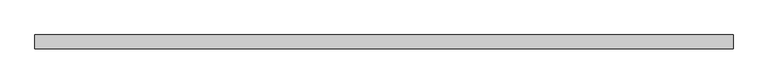
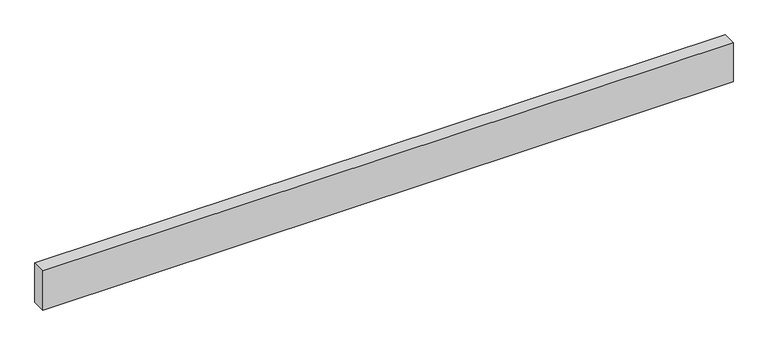
"""IFC4 building model written with IfcOpenShell, lengths in millimetres: beam geometry."""

from ifc_helpers import new_model, si_unit, frame, origin, place, context, project, spatial, polyline, outline, extrude, source, transform, mapped, element, save


def beam_5e79fd2d(model_context):
    return source(origin(), model_context, "Body", "SweptSolid", [
        extrude(outline(polyline([(1250.0, 25.0), (1250.0, -25.0), (-1250.0, -25.0), (-1250.0, 25.0), (1250.0, 25.0)])), frame((0.0, 0.0, -75.0), z_axis=(0.0, 0.0, 1.0), x_axis=(1.0, 0.0, 0.0)), (0.0, 0.0, 1.0), 150.0),
    ])


if __name__ == "__main__":
    model = new_model("IFC4")
    model_context = context("Model", 3, world=origin())
    ifc_project = project(units=[si_unit("LENGTHUNIT", "METRE", prefix="MILLI")], contexts=[model_context])
    site = spatial("IfcSite", under=ifc_project)
    building = spatial("IfcBuilding", under=site)
    placement = place(None, origin())
    beam_shape = beam_5e79fd2d(model_context)
    element("IfcBeam", 1, at=placement, inside=building, context=model_context, shape_type="MappedRepresentation", body=[
        mapped(beam_shape, transform((0.0, 0.0, 0.0), x_axis=(1.0, 0.0, 0.0), y_axis=(0.0, 1.0, 0.0), z_axis=(0.0, 0.0, 1.0))),
    ])
    save(model, "model.ifc")
